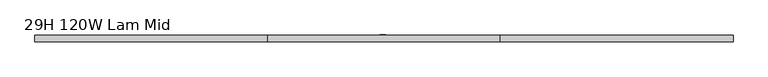
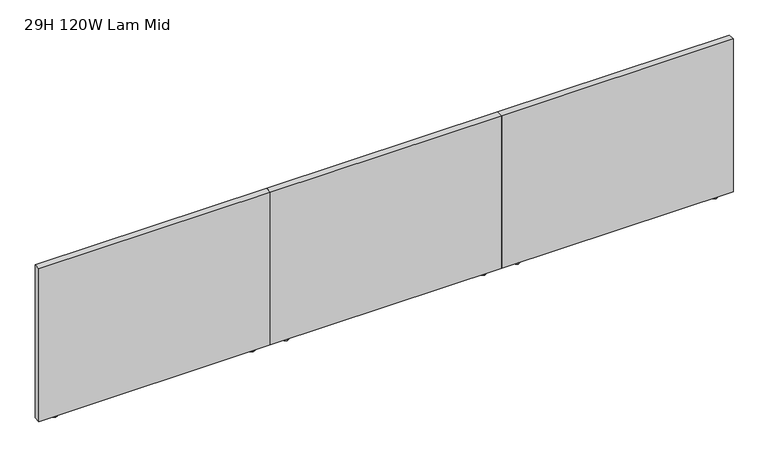
"""IFC4 building model written with IfcOpenShell, lengths in millimetres: furniture geometry, 29H 120W Lam Mid."""

from ifc_helpers import new_model, si_unit, frame, origin, origin_with_axes, place, context, project, spatial, polyline, outline, extrude, source, transform, mapped, element, save


def furniture_29h_120w_lam_mid_c8ccffdd(model_context):
    return source(origin(), model_context, "Body", "SweptSolid", [
        extrude(outline(polyline([(3060.7, -12.0014999), (3064.8244439, -14.3827499), (3064.8244439, -19.1452499), (3060.7, -21.5264999), (3056.5755515, -19.1452499), (3056.5755515, -14.3827499), (3060.7, -12.0014999)])), frame((0.0, 0.0, 6.2484002), z_axis=(0.0, 0.0, 1.0), x_axis=(1.0, 0.0, 0.0)), (0.0, 0.0, 1.0), 0.7873997),
        extrude(outline(polyline([(3073.4000015, -24.7014992), (3060.7, -31.0514999), (3048.000003, -24.7014992), (3048.000003, -8.8265001), (3060.7, -2.4764999), (3073.4000015, -8.8265001), (3073.4000015, -24.7014992)])), origin_with_axes(), (0.0, 0.0, 1.0), 6.2484002),
        extrude(outline(polyline([(2167.4666667, -12.0014999), (2171.5911151, -14.3827499), (2171.5911151, -19.1452499), (2167.4666667, -21.5264999), (2163.3422227, -19.1452499), (2163.3422227, -14.3827499), (2167.4666667, -12.0014999)])), frame((0.0, 0.0, 6.2484002), z_axis=(0.0, 0.0, 1.0), x_axis=(1.0, 0.0, 0.0)), (0.0, 0.0, 1.0), 0.7873997),
        extrude(outline(polyline([(2156.7351678, -24.7014992), (2156.7351678, -8.8265001), (2167.4666667, -2.4764999), (2180.1666636, -8.8265001), (2180.1666636, -24.7014992), (2167.4666667, -31.0514999), (2156.7351678, -24.7014992)])), origin_with_axes(), (0.0, 0.0, 1.0), 6.2484002),
        extrude(outline(polyline([(3136.9, -1.778), (3136.9, -31.8008002), (2091.2666667, -31.8008002), (2091.2666667, -1.778), (3136.9, -1.778)])), frame((0.0, 0.0, 7.0357999), z_axis=(0.0, 0.0, 1.0), x_axis=(1.0, 0.0, 0.0)), (0.0, 0.0, 1.0), 729.5642001),
        extrude(outline(polyline([(2015.0666667, -12.0014999), (2019.1911106, -14.3827499), (2019.1911106, -19.1452499), (2015.0666667, -21.5264999), (2010.9422182, -19.1452499), (2010.9422182, -14.3827499), (2015.0666667, -12.0014999)])), frame((0.0, 0.0, 6.2484002), z_axis=(0.0, 0.0, 1.0), x_axis=(1.0, 0.0, 0.0)), (0.0, 0.0, 1.0), 0.7873997),
        extrude(outline(polyline([(2027.7666682, -24.7014992), (2015.0666667, -31.0514999), (2002.3666697, -24.7014992), (2002.3666697, -8.8265001), (2015.0666667, -2.4764999), (2027.7666682, -8.8265001), (2027.7666682, -24.7014992)])), origin_with_axes(), (0.0, 0.0, 1.0), 6.2484002),
        extrude(outline(polyline([(1121.8333333, -12.0014999), (1125.9577818, -14.3827499), (1125.9577818, -19.1452499), (1121.8333333, -21.5264999), (1117.7088894, -19.1452499), (1117.7088894, -14.3827499), (1121.8333333, -12.0014999)])), frame((0.0, 0.0, 6.2484002), z_axis=(0.0, 0.0, 1.0), x_axis=(1.0, 0.0, 0.0)), (0.0, 0.0, 1.0), 0.7873997),
        extrude(outline(polyline([(1111.1018345, -24.7014992), (1111.1018345, -8.8265001), (1121.8333333, -2.4764999), (1134.5333303, -8.8265001), (1134.5333303, -24.7014992), (1121.8333333, -31.0514999), (1111.1018345, -24.7014992)])), origin_with_axes(), (0.0, 0.0, 1.0), 6.2484002),
        extrude(outline(polyline([(2091.2666667, -1.778), (2091.2666667, -31.8008002), (1045.6333333, -31.8008002), (1045.6333333, -1.778), (2091.2666667, -1.778)])), frame((0.0, 0.0, 7.0357999), z_axis=(0.0, 0.0, 1.0), x_axis=(1.0, 0.0, 0.0)), (0.0, 0.0, 1.0), 729.5642001),
        extrude(outline(polyline([(969.4333333, -12.0014999), (973.5577773, -14.3827499), (973.5577773, -19.1452499), (969.4333333, -21.5264999), (965.3088849, -19.1452499), (965.3088849, -14.3827499), (969.4333333, -12.0014999)])), frame((0.0, 0.0, 6.2484002), z_axis=(0.0, 0.0, 1.0), x_axis=(1.0, 0.0, 0.0)), (0.0, 0.0, 1.0), 0.7873997),
        extrude(outline(polyline([(982.1333348, -24.7014992), (969.4333333, -31.0514999), (956.7333364, -24.7014992), (956.7333364, -8.8265001), (969.4333333, -2.4764999), (982.1333348, -8.8265001), (982.1333348, -24.7014992)])), origin_with_axes(), (0.0, 0.0, 1.0), 6.2484002),
        extrude(outline(polyline([(76.2, -12.0014999), (80.3244485, -14.3827499), (80.3244485, -19.1452499), (76.2, -21.5264999), (72.0755561, -19.1452499), (72.0755561, -14.3827499), (76.2, -12.0014999)])), frame((0.0, 0.0, 6.2484002), z_axis=(0.0, 0.0, 1.0), x_axis=(1.0, 0.0, 0.0)), (0.0, 0.0, 1.0), 0.7873997),
        extrude(outline(polyline([(65.4685012, -24.7014992), (65.4685012, -8.8265001), (76.2, -2.4764999), (88.899997, -8.8265001), (88.899997, -24.7014992), (76.2, -31.0514999), (65.4685012, -24.7014992)])), origin_with_axes(), (0.0, 0.0, 1.0), 6.2484002),
        extrude(outline(polyline([(1045.6333333, -1.778), (1045.6333333, -31.8008002), (0.0, -31.8008002), (0.0, -1.778), (1045.6333333, -1.778)])), frame((0.0, 0.0, 7.0357999), z_axis=(0.0, 0.0, 1.0), x_axis=(1.0, 0.0, 0.0)), (0.0, 0.0, 1.0), 729.5642001),
        extrude(outline(polyline([(1577.403499, 0.0), (1577.403499, -1.778), (1548.8350302, -1.778), (1548.8350302, 0.0), (1577.403499, 0.0)])), frame((0.0, 0.0, 144.9578035), z_axis=(0.0, 0.0, 1.0), x_axis=(1.0, 0.0, 0.0)), (0.0, 0.0, 1.0), 558.7999725),
    ])


if __name__ == "__main__":
    model = new_model("IFC4")
    model_context = context("Model", 3, world=origin())
    ifc_project = project(units=[si_unit("LENGTHUNIT", "METRE", prefix="MILLI")], contexts=[model_context])
    site = spatial("IfcSite", under=ifc_project)
    building = spatial("IfcBuilding", under=site)
    placement = place(None, origin())
    furniture_29h_120w_lam_mid_shape = furniture_29h_120w_lam_mid_c8ccffdd(model_context)
    element("IfcFurniture", 1, ObjectType="29H 120W Lam Mid", at=placement, inside=building, context=model_context, shape_type="MappedRepresentation", body=[
        mapped(furniture_29h_120w_lam_mid_shape, transform((0.0, 0.0, 0.0), x_axis=(1.0, 0.0, 0.0), y_axis=(0.0, 1.0, 0.0), z_axis=(0.0, 0.0, 1.0))),
    ])
    save(model, "model.ifc")
